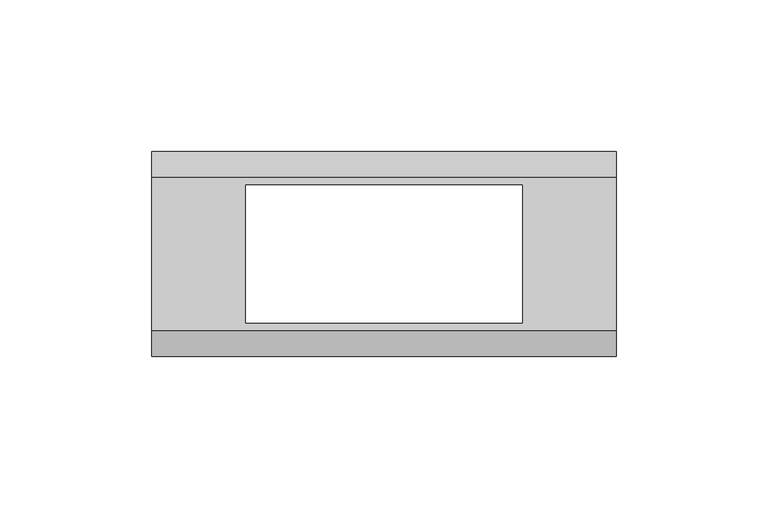
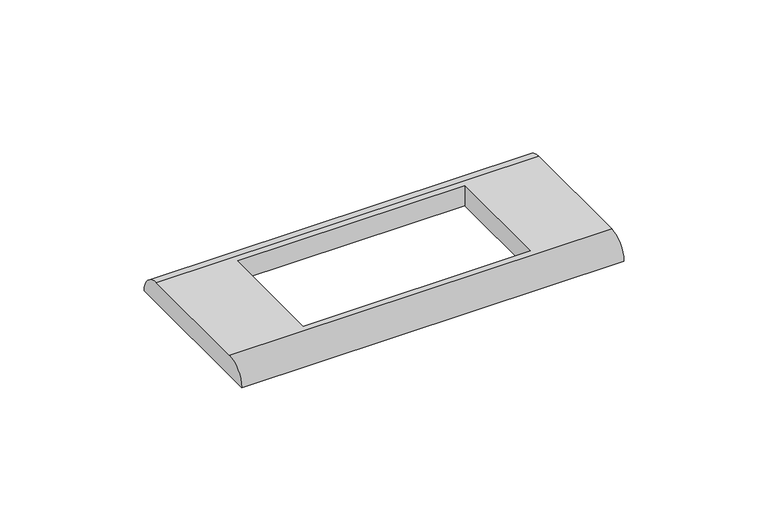
"""IFC4 building model written with IfcOpenShell, lengths in millimetres: proxy geometry."""

from ifc_helpers import new_model, si_unit, frame, origin, place, context, project, spatial, circle_curve, source, transform, mapped, element, save
from ifc_brep_helpers import plane_surface, cylinder_surface, advanced_brep


def electrical_fixtures_3fc0b6a3(model_context):
    return source(origin(), model_context, "Body", "AdvancedBrep", [
        advanced_brep(
        [(76.5, 25.25, 8.5), (-76.5, 25.25, 8.5), (-76.5, -25.25, 8.5), (76.5, -25.25, 8.5), (-45.5, 22.75, 8.5), (45.5, 22.75, 8.5), (45.5, -22.75, 8.5), (-45.5, -22.75, 8.5), (76.5, 33.75, 0.0), (76.5, -33.75, 0.0), (-76.5, -33.75, 0.0), (-76.5, 33.75, 0.0), (45.5, 22.75, 0.0), (-45.5, 22.75, 0.0), (-45.5, -22.75, 0.0), (45.5, -22.75, 0.0)],
        [
            (0, 1),
            (1, 2),
            (2, 3),
            (3, 0),
            (4, 5),
            (5, 6),
            (6, 7),
            (7, 4),
            (8, 9),
            (9, 10),
            (10, 11),
            (11, 8),
            (12, 13),
            (13, 14),
            (14, 15),
            (15, 12),
            (10, 2, circle_curve(frame((-76.5, -25.25, 0.0), z_axis=(-1.0, 0.0, 0.0), x_axis=(0.0, 1.0, 0.0)), 8.5)),
            (1, 11, circle_curve(frame((-76.5, 25.25, 0.0), z_axis=(-1.0, 0.0, 0.0), x_axis=(0.0, -1.0, 0.0)), 8.5)),
            (8, 0, circle_curve(frame((76.5, 25.25, 0.0), z_axis=(1.0, 0.0, 0.0), x_axis=(0.0, -1.0, 0.0)), 8.5)),
            (3, 9, circle_curve(frame((76.5, -25.25, 0.0), z_axis=(1.0, 0.0, 0.0), x_axis=(0.0, 1.0, 0.0)), 8.5)),
            (4, 13),
            (12, 5),
            (7, 14),
            (6, 15),
        ],
        [
            plane_surface(frame((-76.5, 48.25, 8.5), z_axis=(0.0, 0.0, 1.0), x_axis=(0.0, -1.0, 0.0))),
            plane_surface(frame((-76.5, 48.25, 0.0), z_axis=(0.0, 0.0, -1.0), x_axis=(0.0, 1.0, 0.0))),
            plane_surface(frame((-76.5, 33.75, 8.5), z_axis=(-1.0, 0.0, 0.0), x_axis=(0.0, 0.0, -1.0))),
            plane_surface(frame((76.5, -33.75, 8.5), z_axis=(1.0, 0.0, 0.0), x_axis=(0.0, 0.0, -1.0))),
            plane_surface(frame((45.5, 22.75, 8.5), z_axis=(0.0, -1.0, 0.0), x_axis=(0.0, 0.0, -1.0))),
            plane_surface(frame((-45.5, 22.75, 8.5), z_axis=(1.0, 0.0, 0.0), x_axis=(0.0, 0.0, -1.0))),
            plane_surface(frame((-45.5, -22.75, 8.5), z_axis=(0.0, 1.0, 0.0), x_axis=(0.0, 0.0, -1.0))),
            plane_surface(frame((45.5, -22.75, 8.5), z_axis=(-1.0, 0.0, 0.0), x_axis=(0.0, 0.0, -1.0))),
            cylinder_surface(frame((76.5, 25.25, 0.0), z_axis=(-1.0, 0.0, 0.0), x_axis=(0.0, -1.0, 0.0)), 8.5),
            cylinder_surface(frame((76.5, -25.25, 0.0), z_axis=(-1.0, 0.0, 0.0), x_axis=(0.0, 1.0, 0.0)), 8.5),
        ],
        [
            (0, [[1, 2, 3, 4], [5, 6, 7, 8]]),
            (1, [[9, 10, 11, 12], [13, 14, 15, 16]]),
            (2, [[-11, 17, -2, 18]]),
            (3, [[-9, 19, -4, 20]]),
            (4, [[21, -13, 22, -5]]),
            (5, [[-21, -8, 23, -14]]),
            (6, [[-23, -7, 24, -15]]),
            (7, [[-22, -16, -24, -6]]),
            (8, [[-1, -19, -12, -18]]),
            (9, [[-3, -17, -10, -20]]),
        ],
    ),
    ])


if __name__ == "__main__":
    model = new_model("IFC4")
    model_context = context("Model", 3, world=origin())
    ifc_project = project(units=[si_unit("LENGTHUNIT", "METRE", prefix="MILLI")], contexts=[model_context])
    site = spatial("IfcSite", under=ifc_project)
    building = spatial("IfcBuilding", under=site)
    placement = place(None, origin())
    electrical_fixtures_shape = electrical_fixtures_3fc0b6a3(model_context)
    element("IfcBuildingElementProxy", 1, Name="Electrical Fixtures", at=placement, inside=building, context=model_context, shape_type="MappedRepresentation", body=[
        mapped(electrical_fixtures_shape, transform((0.0, 0.0, 0.0), x_axis=(1.0, 0.0, 0.0), y_axis=(0.0, 1.0, 0.0), z_axis=(0.0, 0.0, 1.0))),
    ])
    save(model, "model.ifc")
